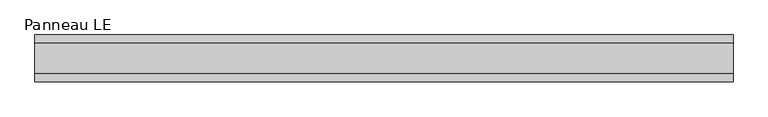
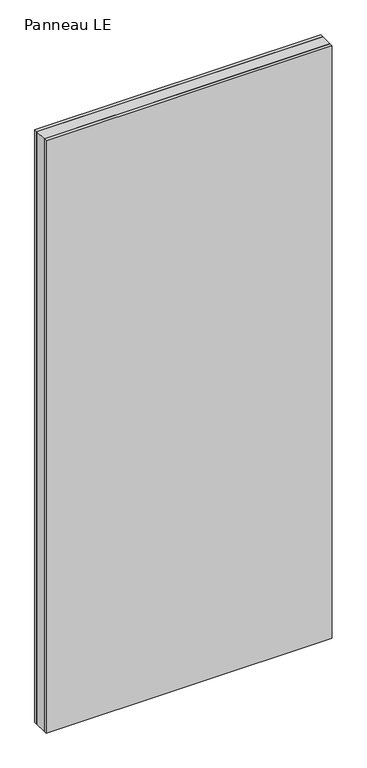
"""IFC4 building model written with IfcOpenShell, lengths in millimetres: plate geometry, Panneau LE."""

from ifc_helpers import new_model, si_unit, origin, origin_with_axes, place, context, project, spatial, polyline, outline, extrude, source, transform, mapped, element, save


def panneau_le_d77b5c34(model_context):
    return source(origin(), model_context, "Body", "SweptSolid", [
        extrude(outline(polyline([(670.6666668, 29.0), (670.6666668, -29.0), (-670.6666668, -29.0), (-670.6666668, 29.0), (670.6666668, 29.0)])), origin_with_axes(), (0.0, 0.0, 1.0), 2933.0),
        extrude(outline(polyline([(670.6666668, 45.0), (670.6666668, 29.0), (-670.6666668, 29.0), (-670.6666668, 45.0), (670.6666668, 45.0)])), origin_with_axes(), (0.0, 0.0, 1.0), 2933.0),
        extrude(outline(polyline([(-670.6666668, -45.0), (-670.6666668, -29.0), (670.6666668, -29.0), (670.6666668, -45.0), (-670.6666668, -45.0)])), origin_with_axes(), (0.0, 0.0, 1.0), 2933.0),
    ])


if __name__ == "__main__":
    model = new_model("IFC4")
    model_context = context("Model", 3, world=origin())
    ifc_project = project(units=[si_unit("LENGTHUNIT", "METRE", prefix="MILLI")], contexts=[model_context])
    site = spatial("IfcSite", under=ifc_project)
    building = spatial("IfcBuilding", under=site)
    placement = place(None, origin())
    panneau_le_shape = panneau_le_d77b5c34(model_context)
    element("IfcPlate", 1, ObjectType="Panneau LE", at=placement, inside=building, context=model_context, shape_type="MappedRepresentation", body=[
        mapped(panneau_le_shape, transform((0.0, 0.0, 0.0), x_axis=(1.0, 0.0, 0.0), y_axis=(0.0, 1.0, 0.0), z_axis=(0.0, 0.0, 1.0))),
    ])
    save(model, "model.ifc")
